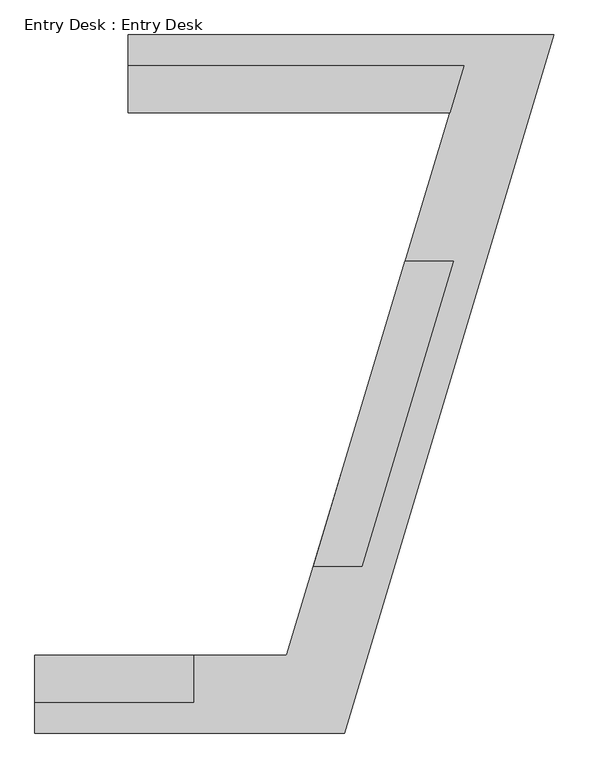
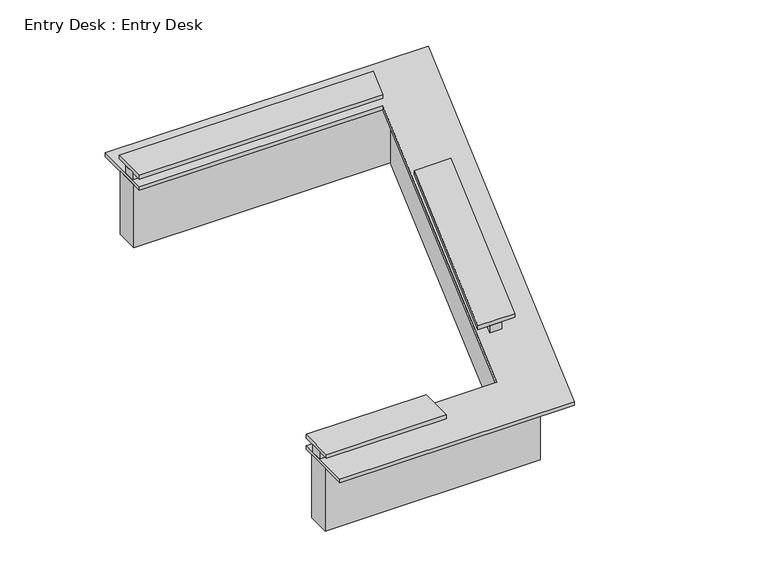
"""IFC4 building model written with IfcOpenShell, lengths in millimetres: furniture geometry, Entry Desk : Entry Desk."""

from ifc_helpers import new_model, si_unit, frame, origin, origin_with_axes, place, context, project, spatial, polyline, outline, extrude, source, transform, mapped, element, save


def entry_desk_entry_desk_db97af0e(model_context):
    return source(origin(), model_context, "Body", "SweptSolid", [
        extrude(outline(polyline([(194037.3139534, -250063.8080223), (190833.1629676, -250063.8080223), (190833.1629676, -249911.4080223), (194083.1222501, -249911.4080223), (194037.3139534, -250063.8080223)])), frame((0.0, 0.0, 914.4), z_axis=(0.0, 0.0, 1.0), x_axis=(1.0, 0.0, 0.0)), (0.0, 0.0, 1.0), 101.6),
        extrude(outline(polyline([(193705.2117672, -251675.7023427), (193864.3474327, -251675.7023427), (192965.3531225, -254666.5739301), (192806.2174569, -254666.5739301), (193705.2117672, -251675.7023427)])), frame((0.0, 0.0, 914.4), z_axis=(0.0, 0.0, 1.0), x_axis=(1.0, 0.0, 0.0)), (0.0, 0.0, 1.0), 101.6),
        extrude(outline(polyline([(191476.2011232, -255694.6705223), (191476.2011232, -255847.0705223), (189918.7629676, -255847.0705223), (189918.7629676, -255694.6705223), (191476.2011232, -255694.6705223)])), frame((0.0, 0.0, 914.4), z_axis=(0.0, 0.0, 1.0), x_axis=(1.0, 0.0, 0.0)), (0.0, 0.0, 1.0), 101.6),
        extrude(outline(polyline([(194158.0226261, -250092.3830223), (190833.1629676, -250092.3830223), (190833.1629676, -249787.5830223), (194567.9105504, -249787.5830223), (192709.3343482, -255970.8955223), (189918.7629676, -255970.8955223), (189918.7629676, -255666.0955223), (192482.6796104, -255666.0955223), (194158.0226261, -250092.3830223)])), origin_with_axes(), (0.0, 0.0, 1.0), 863.6),
        extrude(outline(polyline([(191476.2011232, -255542.2705223), (191476.2011232, -255999.4705223), (189918.7629676, -255999.4705223), (189918.7629676, -255542.2705223), (191476.2011232, -255542.2705223)])), frame((0.0, 0.0, 1016.0), z_axis=(0.0, 0.0, 1.0), x_axis=(1.0, 0.0, 0.0)), (0.0, 0.0, 1.0), 50.8),
        extrude(outline(polyline([(193552.8117672, -251675.7023427), (194030.2187638, -251675.7023427), (193131.2244535, -254666.5739301), (192653.8174569, -254666.5739301), (193552.8117672, -251675.7023427)])), frame((0.0, 0.0, 1016.0), z_axis=(0.0, 0.0, 1.0), x_axis=(1.0, 0.0, 0.0)), (0.0, 0.0, 1.0), 50.8),
        extrude(outline(polyline([(190833.1629676, -250216.2080223), (190833.1629676, -249759.0080223), (194128.9305467, -249759.0080223), (193991.5056568, -250216.2080223), (190833.1629676, -250216.2080223)])), frame((0.0, 0.0, 1016.0), z_axis=(0.0, 0.0, 1.0), x_axis=(1.0, 0.0, 0.0)), (0.0, 0.0, 1.0), 50.8),
        extrude(outline(polyline([(192957.2379676, -256304.2705223), (189918.7629676, -256304.2705223), (189918.7629676, -255542.2705223), (192390.6011232, -255542.2705223), (193991.5056568, -250216.2080223), (190833.1629676, -250216.2080223), (190833.1629676, -249454.2080223), (195016.2254676, -249454.2080223), (192957.2379676, -256304.2705223)])), frame((0.0, 0.0, 863.6), z_axis=(0.0, 0.0, 1.0), x_axis=(1.0, 0.0, 0.0)), (0.0, 0.0, 1.0), 50.8),
    ])


if __name__ == "__main__":
    model = new_model("IFC4")
    model_context = context("Model", 3, world=origin())
    ifc_project = project(units=[si_unit("LENGTHUNIT", "METRE", prefix="MILLI")], contexts=[model_context])
    site = spatial("IfcSite", under=ifc_project)
    building = spatial("IfcBuilding", under=site)
    placement = place(None, origin())
    entry_desk_entry_desk_shape = entry_desk_entry_desk_db97af0e(model_context)
    element("IfcFurniture", 1, ObjectType="Entry Desk : Entry Desk", at=placement, inside=building, context=model_context, shape_type="MappedRepresentation", body=[
        mapped(entry_desk_entry_desk_shape, transform((0.0, 0.0, 0.0), x_axis=(1.0, 0.0, 0.0), y_axis=(0.0, 1.0, 0.0), z_axis=(0.0, 0.0, 1.0))),
    ])
    save(model, "model.ifc")
